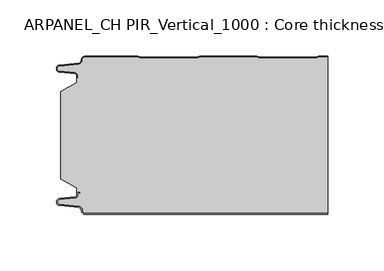
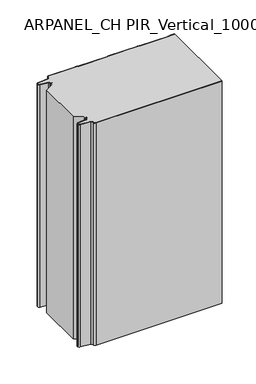
"""IFC4 building model written with IfcOpenShell, lengths in millimetres: plate geometry, ARPANEL_CH PIR_Vertical_1000 : Core thickness - 140 mm."""

from ifc_helpers import new_model, si_unit, frame, origin, place, context, project, spatial, polyline, circle_curve, source, transform, mapped, element, save
from ifc_brep_helpers import plane_surface, cylinder_surface, revolved_surface, advanced_brep


def arpanel_ch_pir_vertical_1000_core_thickness_140_mm_2cfc4364(model_context):
    return source(origin(), model_context, "Body", "AdvancedBrep", [
        advanced_brep(
        [(-94.8000003, -139.9996949, 0.0), (-97.9923632, -136.5787437, 0.0), (-100.2560431, -133.9171154, 0.0), (-117.2115315, -132.2546153, 0.0), (-119.9999998, -129.1776715, 0.0), (-117.2115315, -126.1007278, 0.0), (-103.6195785, -124.7680252, 0.0), (-101.9952277, -122.9766159, 0.0), (-101.9952277, -121.8996949, 0.0), (-100.5952277, -120.4996949, 0.0), (-99.4952277, -120.4996949, 0.0), (-99.4952277, -121.2996949, 0.0), (-100.5952277, -121.2996949, 0.0), (-101.1952277, -121.8996949, 0.0), (-101.1952277, -122.9766159, 0.0), (-103.5415122, -125.5642071, 0.0), (-117.1334652, -126.8969097, 0.0), (-119.1999997, -129.1776715, 0.0), (-117.1334652, -131.4584333, 0.0), (-100.1779767, -133.1209335, 0.0), (-97.2078761, -136.6330399, 0.0), (-94.8000003, -139.1996949, 0.0), (119.9999998, -139.2, 0.0), (119.9999998, -139.9996949, 0.0), (-94.8000003, -139.1996949, 400.0), (-97.1942724, -136.6339815, 400.0), (-100.1779767, -133.1209335, 400.0), (-117.1334652, -131.4584333, 400.0), (-119.1999997, -129.1776715, 400.0), (-117.1334652, -126.8969097, 400.0), (-103.5415122, -125.5642071, 400.0), (-101.1952277, -122.9766159, 400.0), (-101.1952277, -121.8996949, 400.0), (-100.5952277, -121.2996949, 400.0), (-99.4952277, -121.2996949, 400.0), (-99.4952277, -120.4996949, 400.0), (-100.5952277, -120.4996949, 400.0), (-101.9952277, -121.8996949, 400.0), (-101.9952277, -122.9766159, 400.0), (-103.6195785, -124.7680252, 400.0), (-117.2115315, -126.1007278, 400.0), (-119.9999998, -129.1776715, 400.0), (-117.2115315, -132.2546153, 400.0), (-100.2560431, -133.9171154, 400.0), (-98.0059668, -136.5778021, 400.0), (-94.8000003, -139.9996949, 400.0), (119.9999998, -139.9996949, 400.0), (119.9999998, -139.2, 400.0)],
        [
            (0, 1, circle_curve(frame((-94.8000003, -136.7996949, 0.0), z_axis=(0.0, 0.0, -1.0), x_axis=(1.0, 0.0, 0.0)), 3.2)),
            (1, 2, circle_curve(frame((-100.5000003, -136.4051839, 0.0), z_axis=(0.0, 0.0, 1.0), x_axis=(1.0, 0.0, 0.0)), 2.5)),
            (2, 3),
            (3, 4, circle_curve(frame((-116.9100003, -129.1793626, 0.0), z_axis=(0.0, 0.0, -1.0), x_axis=(1.0, 0.0, 0.0)), 3.09)),
            (4, 5, circle_curve(frame((-116.9100003, -129.1759805, 0.0), z_axis=(0.0, 0.0, -1.0), x_axis=(1.0, 0.0, 0.0)), 3.09)),
            (5, 6),
            (6, 7, circle_curve(frame((-103.7952277, -122.9766159, 0.0), z_axis=(0.0, 0.0, 1.0), x_axis=(1.0, 0.0, 0.0)), 1.8)),
            (7, 8),
            (8, 9, circle_curve(frame((-100.5952277, -121.8996949, 0.0), z_axis=(0.0, 0.0, -1.0), x_axis=(1.0, 0.0, 0.0)), 1.4)),
            (9, 10),
            (10, 11),
            (11, 12),
            (12, 13, circle_curve(frame((-100.5952277, -121.8996949, 0.0), z_axis=(0.0, 0.0, 1.0), x_axis=(1.0, 0.0, 0.0)), 0.6)),
            (13, 14),
            (14, 15, circle_curve(frame((-103.7952277, -122.9766159, 0.0), z_axis=(0.0, 0.0, -1.0), x_axis=(1.0, 0.0, 0.0)), 2.6)),
            (15, 16),
            (16, 17, circle_curve(frame((-116.9100003, -129.1759805, 0.0), z_axis=(0.0, 0.0, 1.0), x_axis=(1.0, 0.0, 0.0)), 2.29)),
            (17, 18, circle_curve(frame((-116.9100003, -129.1793626, 0.0), z_axis=(0.0, 0.0, 1.0), x_axis=(1.0, 0.0, 0.0)), 2.29)),
            (18, 19),
            (19, 20, circle_curve(frame((-100.5000003, -136.4051839, 0.0), z_axis=(0.0, 0.0, -1.0), x_axis=(1.0, 0.0, 0.0)), 3.3)),
            (20, 21, circle_curve(frame((-94.8000003, -136.7996949, 0.0), z_axis=(0.0, 0.0, 1.0), x_axis=(1.0, 0.0, 0.0)), 2.4)),
            (21, 22),
            (22, 23),
            (23, 0),
            (24, 25, circle_curve(frame((-94.8000003, -136.7996949, 400.0), z_axis=(0.0, 0.0, -1.0), x_axis=(1.0, 0.0, 0.0)), 2.4)),
            (25, 26, circle_curve(frame((-100.5000003, -136.4051839, 400.0), z_axis=(0.0, 0.0, 1.0), x_axis=(1.0, 0.0, 0.0)), 3.3)),
            (26, 27),
            (27, 28, circle_curve(frame((-116.9100003, -129.1793626, 400.0), z_axis=(0.0, 0.0, -1.0), x_axis=(1.0, 0.0, 0.0)), 2.29)),
            (28, 29, circle_curve(frame((-116.9100003, -129.1759805, 400.0), z_axis=(0.0, 0.0, -1.0), x_axis=(1.0, 0.0, 0.0)), 2.29)),
            (29, 30),
            (30, 31, circle_curve(frame((-103.7952277, -122.9766159, 400.0), z_axis=(0.0, 0.0, 1.0), x_axis=(1.0, 0.0, 0.0)), 2.6)),
            (31, 32),
            (32, 33, circle_curve(frame((-100.5952277, -121.8996949, 400.0), z_axis=(0.0, 0.0, -1.0), x_axis=(1.0, 0.0, 0.0)), 0.6)),
            (33, 34),
            (34, 35),
            (35, 36),
            (36, 37, circle_curve(frame((-100.5952277, -121.8996949, 400.0), z_axis=(0.0, 0.0, 1.0), x_axis=(1.0, 0.0, 0.0)), 1.4)),
            (37, 38),
            (38, 39, circle_curve(frame((-103.7952277, -122.9766159, 400.0), z_axis=(0.0, 0.0, -1.0), x_axis=(1.0, 0.0, 0.0)), 1.8)),
            (39, 40),
            (40, 41, circle_curve(frame((-116.9100003, -129.1759805, 400.0), z_axis=(0.0, 0.0, 1.0), x_axis=(1.0, 0.0, 0.0)), 3.09)),
            (41, 42, circle_curve(frame((-116.9100003, -129.1793626, 400.0), z_axis=(0.0, 0.0, 1.0), x_axis=(1.0, 0.0, 0.0)), 3.09)),
            (42, 43),
            (43, 44, circle_curve(frame((-100.5000003, -136.4051839, 400.0), z_axis=(0.0, 0.0, -1.0), x_axis=(1.0, 0.0, 0.0)), 2.5)),
            (44, 45, circle_curve(frame((-94.8000003, -136.7996949, 400.0), z_axis=(0.0, 0.0, 1.0), x_axis=(1.0, 0.0, 0.0)), 3.2)),
            (45, 46),
            (46, 47),
            (47, 24),
            (21, 24),
            (47, 22),
            (20, 25),
            (19, 26),
            (18, 27),
            (17, 28),
            (16, 29),
            (15, 30),
            (14, 31),
            (13, 32),
            (12, 33),
            (11, 34),
            (10, 35),
            (9, 36),
            (8, 37),
            (7, 38),
            (6, 39),
            (5, 40),
            (4, 41),
            (3, 42),
            (2, 43),
            (1, 44),
            (0, 45),
            (23, 46),
        ],
        [
            plane_surface(frame((-119.9999998, -140.0, 0.0), z_axis=(0.0, 0.0, -1.0), x_axis=(0.0, 1.0, 0.0))),
            plane_surface(frame((-119.9999998, -140.0, 400.0), z_axis=(0.0, 0.0, 1.0), x_axis=(0.0, 1.0, 0.0))),
            plane_surface(frame((-94.8000003, -139.2, 0.0), z_axis=(0.0, 1.0, 0.0), x_axis=(0.0, 0.0, 1.0))),
            revolved_surface(polyline([(-92.40000029999999, -136.7996949, 400.0), (-92.40000029999999, -136.7996949, 0.0)]), (-94.8000003, -136.7996949, 0.0), (0.0, 0.0, 1.0)),
            cylinder_surface(frame((-100.5000003, -136.4051839, 0.0), z_axis=(0.0, 0.0, -1.0), x_axis=(1.0, 0.0, 0.0)), 3.3),
            plane_surface(frame((-117.1334652, -131.4584333, 0.0), z_axis=(0.09758289975914758, 0.9952273999818314, 0.0), x_axis=(0.0, 0.0, 1.0))),
            revolved_surface(polyline([(-114.62000029999999, -129.1793626, 400.0), (-114.62000029999999, -129.1793626, 0.0)]), (-116.9100003, -129.1793626, 0.0), (0.0, 0.0, 1.0)),
            revolved_surface(polyline([(-114.62000029999999, -129.1759805, 400.0), (-114.62000029999999, -129.1759805, 0.0)]), (-116.9100003, -129.1759805, 0.0), (0.0, 0.0, 1.0)),
            plane_surface(frame((-103.5415122, -125.5642071, 0.0), z_axis=(0.09758289975914383, -0.9952273999818317, 0.0), x_axis=(0.0, 0.0, 1.0))),
            cylinder_surface(frame((-103.7952277, -122.9766159, 0.0), z_axis=(0.0, 0.0, -1.0), x_axis=(1.0, 0.0, 0.0)), 2.6),
            plane_surface(frame((-101.1952277, -121.8996949, 0.0), z_axis=(1.0, 0.0, 0.0), x_axis=(0.0, 0.0, 1.0))),
            revolved_surface(polyline([(-99.9952277, -121.8996949, 400.0), (-99.9952277, -121.8996949, 0.0)]), (-100.5952277, -121.8996949, 0.0), (0.0, 0.0, 1.0)),
            plane_surface(frame((-99.4952277, -121.2996949, 0.0), z_axis=(0.0, -1.0, 0.0), x_axis=(0.0, 0.0, 1.0))),
            plane_surface(frame((-99.4952277, -120.4996949, 0.0), z_axis=(1.0, 0.0, 0.0), x_axis=(0.0, 0.0, 1.0))),
            plane_surface(frame((-100.5952277, -120.4996949, 0.0), z_axis=(0.0, 1.0, 0.0), x_axis=(0.0, 0.0, 1.0))),
            cylinder_surface(frame((-100.5952277, -121.8996949, 0.0), z_axis=(0.0, 0.0, -1.0), x_axis=(1.0, 0.0, 0.0)), 1.4),
            plane_surface(frame((-101.9952277, -122.9766159, 0.0), z_axis=(-1.0, 0.0, 0.0), x_axis=(0.0, 0.0, 1.0))),
            revolved_surface(polyline([(-101.9952277, -122.9766159, 400.0), (-101.9952277, -122.9766159, 0.0)]), (-103.7952277, -122.9766159, 0.0), (0.0, 0.0, 1.0)),
            plane_surface(frame((-117.2115315, -126.1007278, 0.0), z_axis=(-0.09758289975914387, 0.9952273999818317, 0.0), x_axis=(0.0, 0.0, 1.0))),
            cylinder_surface(frame((-116.9100003, -129.1759805, 0.0), z_axis=(0.0, 0.0, -1.0), x_axis=(1.0, 0.0, 0.0)), 3.09),
            cylinder_surface(frame((-116.9100003, -129.1793626, 0.0), z_axis=(0.0, 0.0, -1.0), x_axis=(1.0, 0.0, 0.0)), 3.09),
            plane_surface(frame((-100.2560431, -133.9171154, 0.0), z_axis=(-0.09758289975914762, -0.9952273999818314, 0.0), x_axis=(0.0, 0.0, 1.0))),
            revolved_surface(polyline([(-98.0000003, -136.4051839, 400.0), (-98.0000003, -136.4051839, 0.0)]), (-100.5000003, -136.4051839, 0.0), (0.0, 0.0, 1.0)),
            cylinder_surface(frame((-94.8000003, -136.7996949, 0.0), z_axis=(0.0, 0.0, -1.0), x_axis=(1.0, 0.0, 0.0)), 3.2),
            plane_surface(frame((896.009932, -139.9996949, 0.0), z_axis=(0.0, -1.0, 0.0), x_axis=(0.0, 0.0, 1.0))),
            plane_surface(frame((119.9999998, 180.0, 400.0), z_axis=(1.0, 0.0, 0.0), x_axis=(0.0, 0.0, -1.0))),
        ],
        [
            (0, [[1, 2, 3, 4, 5, 6, 7, 8, 9, 10, 11, 12, 13, 14, 15, 16, 17, 18, 19, 20, 21, 22, 23, 24]]),
            (1, [[25, 26, 27, 28, 29, 30, 31, 32, 33, 34, 35, 36, 37, 38, 39, 40, 41, 42, 43, 44, 45, 46, 47, 48]]),
            (2, [[49, -48, 50, -22]]),
            (3, [[-21, 51, -25, -49]]),
            (4, [[-20, 52, -26, -51]]),
            (5, [[-19, 53, -27, -52]]),
            (6, [[-18, 54, -28, -53]]),
            (7, [[-17, 55, -29, -54]]),
            (8, [[-16, 56, -30, -55]]),
            (9, [[-15, 57, -31, -56]]),
            (10, [[-14, 58, -32, -57]]),
            (11, [[-13, 59, -33, -58]]),
            (12, [[-12, 60, -34, -59]]),
            (13, [[-11, 61, -35, -60]]),
            (14, [[-10, 62, -36, -61]]),
            (15, [[-9, 63, -37, -62]]),
            (16, [[-8, 64, -38, -63]]),
            (17, [[-7, 65, -39, -64]]),
            (18, [[-6, 66, -40, -65]]),
            (19, [[-5, 67, -41, -66]]),
            (20, [[-4, 68, -42, -67]]),
            (21, [[-3, 69, -43, -68]]),
            (22, [[-2, 70, -44, -69]]),
            (23, [[-1, 71, -45, -70]]),
            (24, [[-71, -24, 72, -46]]),
            (25, [[-23, -50, -47, -72]]),
        ],
    ),
        advanced_brep(
        [(-101.9952277, -23.1062917, 400.0), (-116.0446509, -31.1628062, 400.0), (-116.0446509, -108.7531937, 400.0), (-101.9952277, -116.8937083, 400.0), (-101.9952277, -120.4996949, 400.0), (-101.9952277, -121.8996949, 400.0), (-100.5952277, -120.4996949, 400.0), (-99.4952277, -120.4996949, 400.0), (-99.4952277, -121.2996949, 400.0), (-100.5952277, -121.2996949, 400.0), (-101.1952277, -121.8996949, 400.0), (-101.1952277, -122.9766159, 400.0), (-103.5415122, -125.5642071, 400.0), (-117.1334652, -126.8969097, 400.0), (-119.1999997, -129.1776715, 400.0), (-117.1334652, -131.4584333, 400.0), (-100.1779767, -133.1209335, 400.0), (-97.2078761, -136.6330399, 400.0), (-94.8000003, -139.1996949, 400.0), (119.9999998, -139.2, 400.0), (119.9999998, -0.8, 400.0), (112.3119565, -0.8, 400.0), (111.2605406, -1.0986697, 400.0), (109.8401597, -1.5003051, 400.0), (59.6803765, -1.5003051, 400.0), (58.2609651, -1.0971009, 400.0), (57.2085797, -0.8, 400.0), (7.0487965, -0.8, 400.0), (5.9973806, -1.0986697, 400.0), (4.5769997, -1.5003051, 400.0), (-45.5827835, -1.5003051, 400.0), (-47.0021949, -1.0971009, 400.0), (-48.0545803, -0.8, 400.0), (-94.8000003, -0.8, 400.0), (-97.1942724, -3.3660185, 400.0), (-100.1779767, -6.8790665, 400.0), (-117.1334652, -8.5415667, 400.0), (-119.1999997, -10.8223285, 400.0), (-117.1334652, -13.1030903, 400.0), (-103.5415122, -14.4357929, 400.0), (-101.1952277, -17.0233841, 400.0), (-101.1952277, -18.1003051, 400.0), (-100.5952277, -18.7003051, 400.0), (-99.4952277, -18.7003051, 400.0), (-99.4952277, -19.5003051, 400.0), (-100.5952277, -19.5003051, 400.0), (-101.9952277, -18.1003051, 400.0), (-101.9952277, -19.5003051, 400.0), (-101.9952277, -116.8937083, 0.0), (-116.0446509, -108.7531937, 0.0), (-116.0446509, -31.1628062, 0.0), (-101.9952277, -23.1062917, 0.0), (-101.9952277, -19.5003051, 0.0), (-101.9952277, -18.1003051, 0.0), (-100.5952277, -19.5003051, 0.0), (-99.4952277, -19.5003051, 0.0), (-99.4952277, -18.7003051, 0.0), (-100.5952277, -18.7003051, 0.0), (-101.1952277, -18.1003051, 0.0), (-101.1952277, -17.0233841, 0.0), (-103.5415122, -14.4357929, 0.0), (-117.1334652, -13.1030903, 0.0), (-119.1999997, -10.8223285, 0.0), (-117.1334652, -8.5415667, 0.0), (-100.1779767, -6.8790665, 0.0), (-97.2078761, -3.3669601, 0.0), (-94.8000003, -0.8003051, 0.0), (-48.0545803, -0.8, 0.0), (-47.0031645, -1.0986697, 0.0), (-45.5827835, -1.5003051, 0.0), (4.5769997, -1.5003051, 0.0), (5.9964111, -1.0971009, 0.0), (7.0487965, -0.8, 0.0), (57.2085797, -0.8, 0.0), (58.2599955, -1.0986697, 0.0), (59.6803765, -1.5003051, 0.0), (109.8401597, -1.5003051, 0.0), (111.2595711, -1.0971009, 0.0), (112.3119565, -0.8, 0.0), (119.9999998, -0.8, 0.0), (119.9999998, -139.2, 0.0), (-94.8000003, -139.2, 0.0), (-97.1942724, -136.6339815, 0.0), (-100.1779767, -133.1209335, 0.0), (-117.1334652, -131.4584333, 0.0), (-119.1999997, -129.1776715, 0.0), (-117.1334652, -126.8969097, 0.0), (-103.5415122, -125.5642071, 0.0), (-101.1952277, -122.9766159, 0.0), (-101.1952277, -121.8996949, 0.0), (-100.5952277, -121.2996949, 0.0), (-99.4952277, -121.2996949, 0.0), (-99.4952277, -120.4996949, 0.0), (-100.5952277, -120.4996949, 0.0), (-101.9952277, -121.8996949, 0.0), (-101.9952277, -120.4996949, 0.0)],
        [
            (0, 1),
            (1, 2),
            (2, 3),
            (3, 4),
            (4, 5),
            (5, 6, circle_curve(frame((-100.5952277, -121.8996949, 400.0), z_axis=(0.0, 0.0, -1.0), x_axis=(1.0, 0.0, 0.0)), 1.4)),
            (6, 7),
            (7, 8),
            (8, 9),
            (9, 10, circle_curve(frame((-100.5952277, -121.8996949, 400.0), z_axis=(0.0, 0.0, 1.0), x_axis=(1.0, 0.0, 0.0)), 0.6)),
            (10, 11),
            (11, 12, circle_curve(frame((-103.7952277, -122.9766159, 400.0), z_axis=(0.0, 0.0, -1.0), x_axis=(1.0, 0.0, 0.0)), 2.6)),
            (12, 13),
            (13, 14, circle_curve(frame((-116.9100003, -129.1759805, 400.0), z_axis=(0.0, 0.0, 1.0), x_axis=(1.0, 0.0, 0.0)), 2.29)),
            (14, 15, circle_curve(frame((-116.9100003, -129.1793626, 400.0), z_axis=(0.0, 0.0, 1.0), x_axis=(1.0, 0.0, 0.0)), 2.29)),
            (15, 16),
            (16, 17, circle_curve(frame((-100.5000003, -136.4051839, 400.0), z_axis=(0.0, 0.0, -1.0), x_axis=(1.0, 0.0, 0.0)), 3.3)),
            (17, 18, circle_curve(frame((-94.8000003, -136.7996949, 400.0), z_axis=(0.0, 0.0, 1.0), x_axis=(1.0, 0.0, 0.0)), 2.4)),
            (18, 19),
            (19, 20),
            (20, 21),
            (21, 22, circle_curve(frame((112.3119565, -2.8, 400.0), z_axis=(0.0, 0.0, 1.0), x_axis=(1.0, 0.0, 0.0)), 2.0)),
            (22, 23, circle_curve(frame((109.8401597, 1.1996949, 400.0), z_axis=(0.0, 0.0, -1.0), x_axis=(1.0, 0.0, 0.0)), 2.7)),
            (23, 24),
            (24, 25, circle_curve(frame((59.6803765, 1.1996949, 400.0), z_axis=(0.0, 0.0, -1.0), x_axis=(1.0, 0.0, 0.0)), 2.7)),
            (25, 26, circle_curve(frame((57.2085797, -2.8, 400.0), z_axis=(0.0, 0.0, 1.0), x_axis=(1.0, 0.0, 0.0)), 2.0)),
            (26, 27),
            (27, 28, circle_curve(frame((7.0487965, -2.8, 400.0), z_axis=(0.0, 0.0, 1.0), x_axis=(1.0, 0.0, 0.0)), 2.0)),
            (28, 29, circle_curve(frame((4.5769997, 1.1996949, 400.0), z_axis=(0.0, 0.0, -1.0), x_axis=(1.0, 0.0, 0.0)), 2.7)),
            (29, 30),
            (30, 31, circle_curve(frame((-45.5827835, 1.1996949, 400.0), z_axis=(0.0, 0.0, -1.0), x_axis=(1.0, 0.0, 0.0)), 2.7)),
            (31, 32, circle_curve(frame((-48.0545803, -2.8, 400.0), z_axis=(0.0, 0.0, 1.0), x_axis=(1.0, 0.0, 0.0)), 2.0)),
            (32, 33),
            (33, 34, circle_curve(frame((-94.8000003, -3.2003051, 400.0), z_axis=(0.0, 0.0, 1.0), x_axis=(1.0, 0.0, 0.0)), 2.4)),
            (34, 35, circle_curve(frame((-100.5000003, -3.5948161, 400.0), z_axis=(0.0, 0.0, -1.0), x_axis=(1.0, 0.0, 0.0)), 3.3)),
            (35, 36),
            (36, 37, circle_curve(frame((-116.9100003, -10.8206374, 400.0), z_axis=(0.0, 0.0, 1.0), x_axis=(1.0, 0.0, 0.0)), 2.29)),
            (37, 38, circle_curve(frame((-116.9100003, -10.8240195, 400.0), z_axis=(0.0, 0.0, 1.0), x_axis=(1.0, 0.0, 0.0)), 2.29)),
            (38, 39),
            (39, 40, circle_curve(frame((-103.7952277, -17.0233841, 400.0), z_axis=(0.0, 0.0, -1.0), x_axis=(1.0, 0.0, 0.0)), 2.6)),
            (40, 41),
            (41, 42, circle_curve(frame((-100.5952277, -18.1003051, 400.0), z_axis=(0.0, 0.0, 1.0), x_axis=(1.0, 0.0, 0.0)), 0.6)),
            (42, 43),
            (43, 44),
            (44, 45),
            (45, 46, circle_curve(frame((-100.5952277, -18.1003051, 400.0), z_axis=(0.0, 0.0, -1.0), x_axis=(1.0, 0.0, 0.0)), 1.4)),
            (46, 47),
            (47, 0),
            (48, 49),
            (49, 50),
            (50, 51),
            (51, 52),
            (52, 53),
            (53, 54, circle_curve(frame((-100.5952277, -18.1003051, 0.0), z_axis=(0.0, 0.0, 1.0), x_axis=(1.0, 0.0, 0.0)), 1.4)),
            (54, 55),
            (55, 56),
            (56, 57),
            (57, 58, circle_curve(frame((-100.5952277, -18.1003051, 0.0), z_axis=(0.0, 0.0, -1.0), x_axis=(1.0, 0.0, 0.0)), 0.6)),
            (58, 59),
            (59, 60, circle_curve(frame((-103.7952277, -17.0233841, 0.0), z_axis=(0.0, 0.0, 1.0), x_axis=(1.0, 0.0, 0.0)), 2.6)),
            (60, 61),
            (61, 62, circle_curve(frame((-116.9100003, -10.8240195, 0.0), z_axis=(0.0, 0.0, -1.0), x_axis=(1.0, 0.0, 0.0)), 2.29)),
            (62, 63, circle_curve(frame((-116.9100003, -10.8206374, 0.0), z_axis=(0.0, 0.0, -1.0), x_axis=(1.0, 0.0, 0.0)), 2.29)),
            (63, 64),
            (64, 65, circle_curve(frame((-100.5000003, -3.5948161, 0.0), z_axis=(0.0, 0.0, 1.0), x_axis=(1.0, 0.0, 0.0)), 3.3)),
            (65, 66, circle_curve(frame((-94.8000003, -3.2003051, 0.0), z_axis=(0.0, 0.0, -1.0), x_axis=(1.0, 0.0, 0.0)), 2.4)),
            (66, 67),
            (67, 68, circle_curve(frame((-48.0545803, -2.8, 0.0), z_axis=(0.0, 0.0, -1.0), x_axis=(1.0, 0.0, 0.0)), 2.0)),
            (68, 69, circle_curve(frame((-45.5827835, 1.1996949, 0.0), z_axis=(0.0, 0.0, 1.0), x_axis=(1.0, 0.0, 0.0)), 2.7)),
            (69, 70),
            (70, 71, circle_curve(frame((4.5769997, 1.1996949, 0.0), z_axis=(0.0, 0.0, 1.0), x_axis=(1.0, 0.0, 0.0)), 2.7)),
            (71, 72, circle_curve(frame((7.0487965, -2.8, 0.0), z_axis=(0.0, 0.0, -1.0), x_axis=(1.0, 0.0, 0.0)), 2.0)),
            (72, 73),
            (73, 74, circle_curve(frame((57.2085797, -2.8, 0.0), z_axis=(0.0, 0.0, -1.0), x_axis=(1.0, 0.0, 0.0)), 2.0)),
            (74, 75, circle_curve(frame((59.6803765, 1.1996949, 0.0), z_axis=(0.0, 0.0, 1.0), x_axis=(1.0, 0.0, 0.0)), 2.7)),
            (75, 76),
            (76, 77, circle_curve(frame((109.8401597, 1.1996949, 0.0), z_axis=(0.0, 0.0, 1.0), x_axis=(1.0, 0.0, 0.0)), 2.7)),
            (77, 78, circle_curve(frame((112.3119565, -2.8, 0.0), z_axis=(0.0, 0.0, -1.0), x_axis=(1.0, 0.0, 0.0)), 2.0)),
            (78, 79),
            (79, 80),
            (80, 81),
            (81, 82, circle_curve(frame((-94.8000003, -136.7996949, 0.0), z_axis=(0.0, 0.0, -1.0), x_axis=(1.0, 0.0, 0.0)), 2.4)),
            (82, 83, circle_curve(frame((-100.5000003, -136.4051839, 0.0), z_axis=(0.0, 0.0, 1.0), x_axis=(1.0, 0.0, 0.0)), 3.3)),
            (83, 84),
            (84, 85, circle_curve(frame((-116.9100003, -129.1793626, 0.0), z_axis=(0.0, 0.0, -1.0), x_axis=(1.0, 0.0, 0.0)), 2.29)),
            (85, 86, circle_curve(frame((-116.9100003, -129.1759805, 0.0), z_axis=(0.0, 0.0, -1.0), x_axis=(1.0, 0.0, 0.0)), 2.29)),
            (86, 87),
            (87, 88, circle_curve(frame((-103.7952277, -122.9766159, 0.0), z_axis=(0.0, 0.0, 1.0), x_axis=(1.0, 0.0, 0.0)), 2.6)),
            (88, 89),
            (89, 90, circle_curve(frame((-100.5952277, -121.8996949, 0.0), z_axis=(0.0, 0.0, -1.0), x_axis=(1.0, 0.0, 0.0)), 0.6)),
            (90, 91),
            (91, 92),
            (92, 93),
            (93, 94, circle_curve(frame((-100.5952277, -121.8996949, 0.0), z_axis=(0.0, 0.0, 1.0), x_axis=(1.0, 0.0, 0.0)), 1.4)),
            (94, 95),
            (95, 48),
            (51, 0),
            (46, 53),
            (1, 50),
            (49, 2),
            (48, 3),
            (94, 5),
            (18, 81),
            (80, 19),
            (17, 82),
            (16, 83),
            (15, 84),
            (14, 85),
            (13, 86),
            (12, 87),
            (11, 88),
            (10, 89),
            (9, 90),
            (8, 91),
            (7, 92),
            (6, 93),
            (66, 33),
            (32, 67),
            (31, 68),
            (30, 69),
            (29, 70),
            (28, 71),
            (27, 72),
            (26, 73),
            (25, 74),
            (24, 75),
            (23, 76),
            (22, 77),
            (21, 78),
            (20, 79),
            (45, 54),
            (44, 55),
            (43, 56),
            (42, 57),
            (41, 58),
            (40, 59),
            (39, 60),
            (38, 61),
            (37, 62),
            (36, 63),
            (35, 64),
            (34, 65),
        ],
        [
            plane_surface(frame((-119.9999998, 0.0, 400.0), z_axis=(0.0, 0.0, 1.0), x_axis=(0.0, -1.0, 0.0))),
            plane_surface(frame((-119.9999998, 0.0, 0.0), z_axis=(0.0, 0.0, -1.0), x_axis=(0.0, -1.0, 0.0))),
            plane_surface(frame((-101.9952277, -17.0229218, 400.0), z_axis=(-1.0, 0.0, 0.0), x_axis=(0.0, 0.0, -1.0))),
            plane_surface(frame((-116.0446509, -31.1628062, 400.0), z_axis=(-1.0, 0.0, 0.0), x_axis=(0.0, 0.0, -1.0))),
            plane_surface(frame((-101.9952277, -23.1062917, 400.0), z_axis=(-0.4974543664933155, 0.8674901459133322, 0.0), x_axis=(0.0, 0.0, -1.0))),
            plane_surface(frame((-116.0446509, -108.7531937, 400.0), z_axis=(-0.5013424225369615, -0.8652489672717159, 0.0), x_axis=(0.0, 0.0, -1.0))),
            plane_surface(frame((-101.9952277, -116.8937083, 400.0), z_axis=(-1.0, 0.0, 0.0), x_axis=(0.0, 0.0, -1.0))),
            plane_surface(frame((896.009932, -139.2, 530.0), z_axis=(0.0, -1.0, 0.0), x_axis=(0.0, 0.0, -1.0))),
            cylinder_surface(frame((-94.8000003, -136.7996949, 530.0), z_axis=(0.0, 0.0, -1.0), x_axis=(1.0, 0.0, 0.0)), 2.4),
            revolved_surface(polyline([(-97.2000003, -136.4051839, 400.0), (-97.2000003, -136.4051839, 0.0)]), (-100.5000003, -136.4051839, 530.0), (0.0, 0.0, 1.0)),
            plane_surface(frame((-100.1779767, -133.1209335, 530.0), z_axis=(-0.09758289975914758, -0.9952273999818314, 0.0), x_axis=(0.0, 0.0, -1.0))),
            cylinder_surface(frame((-116.9100003, -129.1793626, 530.0), z_axis=(0.0, 0.0, -1.0), x_axis=(1.0, 0.0, 0.0)), 2.29),
            cylinder_surface(frame((-116.9100003, -129.1759805, 530.0), z_axis=(0.0, 0.0, -1.0), x_axis=(1.0, 0.0, 0.0)), 2.29),
            plane_surface(frame((-117.1334652, -126.8969097, 530.0), z_axis=(-0.09758289975914383, 0.9952273999818317, 0.0), x_axis=(0.0, 0.0, -1.0))),
            revolved_surface(polyline([(-101.1952277, -122.9766159, 400.0), (-101.1952277, -122.9766159, 0.0)]), (-103.7952277, -122.9766159, 530.0), (0.0, 0.0, 1.0)),
            plane_surface(frame((-101.1952277, -122.9766159, 530.0), z_axis=(-1.0, 0.0, 0.0), x_axis=(0.0, 0.0, -1.0))),
            cylinder_surface(frame((-100.5952277, -121.8996949, 530.0), z_axis=(0.0, 0.0, -1.0), x_axis=(1.0, 0.0, 0.0)), 0.6),
            plane_surface(frame((-100.5952277, -121.2996949, 530.0), z_axis=(0.0, 1.0, 0.0), x_axis=(0.0, 0.0, -1.0))),
            plane_surface(frame((-99.4952277, -121.2996949, 530.0), z_axis=(-1.0, 0.0, 0.0), x_axis=(0.0, 0.0, -1.0))),
            plane_surface(frame((-99.4952277, -120.4996949, 530.0), z_axis=(0.0, -1.0, 0.0), x_axis=(0.0, 0.0, -1.0))),
            revolved_surface(polyline([(-99.19522769999999, -121.8996949, 400.0), (-99.19522769999999, -121.8996949, 0.0)]), (-100.5952277, -121.8996949, 530.0), (0.0, 0.0, 1.0)),
            plane_surface(frame((-94.8000003, -0.8, 530.0), z_axis=(0.0, 1.0, 0.0), x_axis=(0.0, 0.0, -1.0))),
            cylinder_surface(frame((-48.0545803, -2.8, 530.0), z_axis=(0.0, 0.0, -1.0), x_axis=(1.0, 0.0, 0.0)), 2.0),
            revolved_surface(polyline([(-42.882783499999995, 1.1996949, 400.0), (-42.882783499999995, 1.1996949, 0.0)]), (-45.5827835, 1.1996949, 530.0), (0.0, 0.0, 1.0)),
            plane_surface(frame((-45.5827835, -1.5003051, 530.0), z_axis=(0.0, 1.0, 0.0), x_axis=(0.0, 0.0, -1.0))),
            revolved_surface(polyline([(7.2769997, 1.1996949, 400.0), (7.2769997, 1.1996949, 0.0)]), (4.5769997, 1.1996949, 530.0), (0.0, 0.0, 1.0)),
            cylinder_surface(frame((7.0487965, -2.8, 530.0), z_axis=(0.0, 0.0, -1.0), x_axis=(1.0, 0.0, 0.0)), 2.0),
            plane_surface(frame((7.0487965, -0.8, 530.0), z_axis=(0.0, 1.0, 0.0), x_axis=(0.0, 0.0, -1.0))),
            cylinder_surface(frame((57.2085797, -2.8, 530.0), z_axis=(0.0, 0.0, -1.0), x_axis=(1.0, 0.0, 0.0)), 2.0),
            revolved_surface(polyline([(62.380376500000004, 1.1996949, 400.0), (62.380376500000004, 1.1996949, 0.0)]), (59.6803765, 1.1996949, 530.0), (0.0, 0.0, 1.0)),
            plane_surface(frame((59.6803765, -1.5003051, 530.0), z_axis=(0.0, 1.0, 0.0), x_axis=(0.0, 0.0, -1.0))),
            revolved_surface(polyline([(112.5401597, 1.1996949, 400.0), (112.5401597, 1.1996949, 0.0)]), (109.8401597, 1.1996949, 530.0), (0.0, 0.0, 1.0)),
            cylinder_surface(frame((112.3119565, -2.8, 530.0), z_axis=(0.0, 0.0, -1.0), x_axis=(1.0, 0.0, 0.0)), 2.0),
            plane_surface(frame((112.3119565, -0.8, 530.0), z_axis=(0.0, 1.0, 0.0), x_axis=(0.0, 0.0, -1.0))),
            revolved_surface(polyline([(-99.19522769999999, -18.1003051, 400.0), (-99.19522769999999, -18.1003051, 0.0)]), (-100.5952277, -18.1003051, 530.0), (0.0, 0.0, 1.0)),
            plane_surface(frame((-100.5952277, -19.5003051, 530.0), z_axis=(0.0, 1.0, 0.0), x_axis=(0.0, 0.0, -1.0))),
            plane_surface(frame((-99.4952277, -19.5003051, 530.0), z_axis=(-1.0, 0.0, 0.0), x_axis=(0.0, 0.0, -1.0))),
            plane_surface(frame((-99.4952277, -18.7003051, 530.0), z_axis=(0.0, -1.0, 0.0), x_axis=(0.0, 0.0, -1.0))),
            cylinder_surface(frame((-100.5952277, -18.1003051, 530.0), z_axis=(0.0, 0.0, -1.0), x_axis=(1.0, 0.0, 0.0)), 0.6),
            plane_surface(frame((-101.1952277, -18.1003051, 530.0), z_axis=(-1.0, 0.0, 0.0), x_axis=(0.0, 0.0, -1.0))),
            revolved_surface(polyline([(-101.1952277, -17.0233841, 400.0), (-101.1952277, -17.0233841, 0.0)]), (-103.7952277, -17.0233841, 530.0), (0.0, 0.0, 1.0)),
            plane_surface(frame((-103.5415122, -14.4357929, 530.0), z_axis=(-0.09758289975914705, -0.9952273999818314, 0.0), x_axis=(0.0, 0.0, -1.0))),
            cylinder_surface(frame((-116.9100003, -10.8240195, 530.0), z_axis=(0.0, 0.0, -1.0), x_axis=(1.0, 0.0, 0.0)), 2.29),
            cylinder_surface(frame((-116.9100003, -10.8206374, 530.0), z_axis=(0.0, 0.0, -1.0), x_axis=(1.0, 0.0, 0.0)), 2.29),
            plane_surface(frame((-117.1334652, -8.5415667, 530.0), z_axis=(-0.09758289975914436, 0.9952273999818317, 0.0), x_axis=(0.0, 0.0, -1.0))),
            revolved_surface(polyline([(-97.2000003, -3.5948161, 400.0), (-97.2000003, -3.5948161, 0.0)]), (-100.5000003, -3.5948161, 530.0), (0.0, 0.0, 1.0)),
            cylinder_surface(frame((-94.8000003, -3.2003051, 530.0), z_axis=(0.0, 0.0, -1.0), x_axis=(1.0, 0.0, 0.0)), 2.4),
            plane_surface(frame((119.9999998, 180.0, 400.0), z_axis=(1.0, 0.0, 0.0), x_axis=(0.0, 0.0, -1.0))),
        ],
        [
            (0, [[1, 2, 3, 4, 5, 6, 7, 8, 9, 10, 11, 12, 13, 14, 15, 16, 17, 18, 19, 20, 21, 22, 23, 24, 25, 26, 27, 28, 29, 30, 31, 32, 33, 34, 35, 36, 37, 38, 39, 40, 41, 42, 43, 44, 45, 46, 47, 48]]),
            (1, [[49, 50, 51, 52, 53, 54, 55, 56, 57, 58, 59, 60, 61, 62, 63, 64, 65, 66, 67, 68, 69, 70, 71, 72, 73, 74, 75, 76, 77, 78, 79, 80, 81, 82, 83, 84, 85, 86, 87, 88, 89, 90, 91, 92, 93, 94, 95, 96]]),
            (2, [[97, -48, -47, 98, -53, -52]]),
            (3, [[-2, 99, -50, 100]]),
            (4, [[-1, -97, -51, -99]]),
            (5, [[-3, -100, -49, 101]]),
            (6, [[-101, -96, -95, 102, -5, -4]]),
            (7, [[103, -81, 104, -19]]),
            (8, [[-103, -18, 105, -82]]),
            (9, [[-105, -17, 106, -83]]),
            (10, [[-106, -16, 107, -84]]),
            (11, [[-107, -15, 108, -85]]),
            (12, [[-108, -14, 109, -86]]),
            (13, [[-109, -13, 110, -87]]),
            (14, [[-110, -12, 111, -88]]),
            (15, [[-111, -11, 112, -89]]),
            (16, [[-112, -10, 113, -90]]),
            (17, [[-113, -9, 114, -91]]),
            (18, [[-114, -8, 115, -92]]),
            (19, [[-115, -7, 116, -93]]),
            (20, [[-116, -6, -102, -94]]),
            (21, [[117, -33, 118, -67]]),
            (22, [[-118, -32, 119, -68]]),
            (23, [[-119, -31, 120, -69]]),
            (24, [[-120, -30, 121, -70]]),
            (25, [[-121, -29, 122, -71]]),
            (26, [[-122, -28, 123, -72]]),
            (27, [[-123, -27, 124, -73]]),
            (28, [[-124, -26, 125, -74]]),
            (29, [[-125, -25, 126, -75]]),
            (30, [[-126, -24, 127, -76]]),
            (31, [[-127, -23, 128, -77]]),
            (32, [[-128, -22, 129, -78]]),
            (33, [[-129, -21, 130, -79]]),
            (34, [[131, -54, -98, -46]]),
            (35, [[-131, -45, 132, -55]]),
            (36, [[-132, -44, 133, -56]]),
            (37, [[-133, -43, 134, -57]]),
            (38, [[-134, -42, 135, -58]]),
            (39, [[-135, -41, 136, -59]]),
            (40, [[-136, -40, 137, -60]]),
            (41, [[-137, -39, 138, -61]]),
            (42, [[-138, -38, 139, -62]]),
            (43, [[-139, -37, 140, -63]]),
            (44, [[-140, -36, 141, -64]]),
            (45, [[-141, -35, 142, -65]]),
            (46, [[-117, -66, -142, -34]]),
            (47, [[-104, -80, -130, -20]]),
        ],
    ),
        advanced_brep(
        [(-47.0031645, -1.0986697, 0.0), (-48.0545803, -0.8, 0.0), (-94.8000003, -0.8, 0.0), (-97.1942724, -3.3660185, 0.0), (-100.1779767, -6.8790665, 0.0), (-117.1334652, -8.5415667, 0.0), (-119.1999997, -10.8223285, 0.0), (-117.1334652, -13.1030903, 0.0), (-103.5415122, -14.4357929, 0.0), (-101.1952277, -17.0233841, 0.0), (-101.1952277, -18.1003051, 0.0), (-100.5952277, -18.7003051, 0.0), (-99.4952277, -18.7003051, 0.0), (-99.4952277, -19.5003051, 0.0), (-100.5952277, -19.5003051, 0.0), (-101.9952277, -18.1003051, 0.0), (-101.9952277, -17.0233841, 0.0), (-103.6195785, -15.2319748, 0.0), (-117.2115315, -13.8992722, 0.0), (-119.9999998, -10.8223285, 0.0), (-117.2115315, -7.7453847, 0.0), (-100.2560431, -6.0828846, 0.0), (-98.0059668, -3.4221979, 0.0), (-94.8000003, -0.0003051, 0.0), (-48.0545803, -0.0003051, 0.0), (-46.6352472, -0.4034608, 0.0), (-45.5827835, -0.7003051, 0.0), (4.5769997, -0.7003051, 0.0), (5.6283575, -0.4016712, 0.0), (7.0487965, -0.0003051, 0.0), (57.2085797, -0.0003051, 0.0), (58.6279128, -0.4034608, 0.0), (59.6803765, -0.7003051, 0.0), (109.8401597, -0.7003051, 0.0), (110.8915175, -0.4016712, 0.0), (112.3119565, -0.0003051, 0.0), (119.9999998, -0.0003051, 0.0), (119.9999998, -0.8, 0.0), (112.3119565, -0.8, 0.0), (111.2605406, -1.0986697, 0.0), (109.8401597, -1.5003051, 0.0), (59.6803765, -1.5003051, 0.0), (58.2609651, -1.0971009, 0.0), (57.2085797, -0.8, 0.0), (7.0487965, -0.8, 0.0), (5.9973806, -1.0986697, 0.0), (4.5769997, -1.5003051, 0.0), (-45.5827835, -1.5003051, 0.0), (-47.0021949, -1.0971009, 400.0), (-45.5827835, -1.5003051, 400.0), (4.5769997, -1.5003051, 400.0), (5.9964111, -1.0971009, 400.0), (7.0487965, -0.8, 400.0), (57.2085797, -0.8, 400.0), (58.2599955, -1.0986697, 400.0), (59.6803765, -1.5003051, 400.0), (109.8401597, -1.5003051, 400.0), (111.2595711, -1.0971009, 400.0), (112.3119565, -0.8, 400.0), (119.9999998, -0.8, 400.0), (119.9999998, -0.0003051, 400.0), (112.3119565, -0.0003051, 400.0), (110.8926234, -0.4034608, 400.0), (109.8401597, -0.7003051, 400.0), (59.6803765, -0.7003051, 400.0), (58.6290186, -0.4016712, 400.0), (57.2085797, -0.0003051, 400.0), (7.0487965, -0.0003051, 400.0), (5.6294634, -0.4034608, 400.0), (4.5769997, -0.7003051, 400.0), (-45.5827835, -0.7003051, 400.0), (-46.6341414, -0.4016712, 400.0), (-48.0545803, -0.0003051, 400.0), (-94.8000003, -0.0003051, 400.0), (-97.9923632, -3.4212563, 400.0), (-100.2560431, -6.0828846, 400.0), (-117.2115315, -7.7453847, 400.0), (-119.9999998, -10.8223285, 400.0), (-117.2115315, -13.8992722, 400.0), (-103.6195785, -15.2319748, 400.0), (-101.9952277, -17.0233841, 400.0), (-101.9952277, -18.1003051, 400.0), (-100.5952277, -19.5003051, 400.0), (-99.4952277, -19.5003051, 400.0), (-99.4952277, -18.7003051, 400.0), (-100.5952277, -18.7003051, 400.0), (-101.1952277, -18.1003051, 400.0), (-101.1952277, -17.0233841, 400.0), (-103.5415122, -14.4357929, 400.0), (-117.1334652, -13.1030903, 400.0), (-119.1999997, -10.8223285, 400.0), (-117.1334652, -8.5415667, 400.0), (-100.1779767, -6.8790665, 400.0), (-97.2078761, -3.3669601, 400.0), (-94.8000003, -0.8003051, 400.0), (-48.0545803, -0.8, 400.0)],
        [
            (0, 1, circle_curve(frame((-48.0545803, -2.8, 0.0), z_axis=(0.0, 0.0, 1.0), x_axis=(1.0, 0.0, 0.0)), 2.0)),
            (1, 2),
            (2, 3, circle_curve(frame((-94.8000003, -3.2003051, 0.0), z_axis=(0.0, 0.0, 1.0), x_axis=(1.0, 0.0, 0.0)), 2.4)),
            (3, 4, circle_curve(frame((-100.5000003, -3.5948161, 0.0), z_axis=(0.0, 0.0, -1.0), x_axis=(1.0, 0.0, 0.0)), 3.3)),
            (4, 5),
            (5, 6, circle_curve(frame((-116.9100003, -10.8206374, 0.0), z_axis=(0.0, 0.0, 1.0), x_axis=(1.0, 0.0, 0.0)), 2.29)),
            (6, 7, circle_curve(frame((-116.9100003, -10.8240195, 0.0), z_axis=(0.0, 0.0, 1.0), x_axis=(1.0, 0.0, 0.0)), 2.29)),
            (7, 8),
            (8, 9, circle_curve(frame((-103.7952277, -17.0233841, 0.0), z_axis=(0.0, 0.0, -1.0), x_axis=(1.0, 0.0, 0.0)), 2.6)),
            (9, 10),
            (10, 11, circle_curve(frame((-100.5952277, -18.1003051, 0.0), z_axis=(0.0, 0.0, 1.0), x_axis=(1.0, 0.0, 0.0)), 0.6)),
            (11, 12),
            (12, 13),
            (13, 14),
            (14, 15, circle_curve(frame((-100.5952277, -18.1003051, 0.0), z_axis=(0.0, 0.0, -1.0), x_axis=(1.0, 0.0, 0.0)), 1.4)),
            (15, 16),
            (16, 17, circle_curve(frame((-103.7952277, -17.0233841, 0.0), z_axis=(0.0, 0.0, 1.0), x_axis=(1.0, 0.0, 0.0)), 1.8)),
            (17, 18),
            (18, 19, circle_curve(frame((-116.9100003, -10.8240195, 0.0), z_axis=(0.0, 0.0, -1.0), x_axis=(1.0, 0.0, 0.0)), 3.09)),
            (19, 20, circle_curve(frame((-116.9100003, -10.8206374, 0.0), z_axis=(0.0, 0.0, -1.0), x_axis=(1.0, 0.0, 0.0)), 3.09)),
            (20, 21),
            (21, 22, circle_curve(frame((-100.5000003, -3.5948161, 0.0), z_axis=(0.0, 0.0, 1.0), x_axis=(1.0, 0.0, 0.0)), 2.5)),
            (22, 23, circle_curve(frame((-94.8000003, -3.2003051, 0.0), z_axis=(0.0, 0.0, -1.0), x_axis=(1.0, 0.0, 0.0)), 3.2)),
            (23, 24),
            (24, 25, circle_curve(frame((-48.0545803, -2.7003051, 0.0), z_axis=(0.0, 0.0, -1.0), x_axis=(1.0, 0.0, 0.0)), 2.7)),
            (25, 26, circle_curve(frame((-45.5827835, 1.2996949, 0.0), z_axis=(0.0, 0.0, 1.0), x_axis=(1.0, 0.0, 0.0)), 2.0)),
            (26, 27),
            (27, 28, circle_curve(frame((4.5769997, 1.2996949, 0.0), z_axis=(0.0, 0.0, 1.0), x_axis=(1.0, 0.0, 0.0)), 2.0)),
            (28, 29, circle_curve(frame((7.0487965, -2.7003051, 0.0), z_axis=(0.0, 0.0, -1.0), x_axis=(1.0, 0.0, 0.0)), 2.7)),
            (29, 30),
            (30, 31, circle_curve(frame((57.2085797, -2.7003051, 0.0), z_axis=(0.0, 0.0, -1.0), x_axis=(1.0, 0.0, 0.0)), 2.7)),
            (31, 32, circle_curve(frame((59.6803765, 1.2996949, 0.0), z_axis=(0.0, 0.0, 1.0), x_axis=(1.0, 0.0, 0.0)), 2.0)),
            (32, 33),
            (33, 34, circle_curve(frame((109.8401597, 1.2996949, 0.0), z_axis=(0.0, 0.0, 1.0), x_axis=(1.0, 0.0, 0.0)), 2.0)),
            (34, 35, circle_curve(frame((112.3119565, -2.7003051, 0.0), z_axis=(0.0, 0.0, -1.0), x_axis=(1.0, 0.0, 0.0)), 2.7)),
            (35, 36),
            (36, 37),
            (37, 38),
            (38, 39, circle_curve(frame((112.3119565, -2.8, 0.0), z_axis=(0.0, 0.0, 1.0), x_axis=(1.0, 0.0, 0.0)), 2.0)),
            (39, 40, circle_curve(frame((109.8401597, 1.1996949, 0.0), z_axis=(0.0, 0.0, -1.0), x_axis=(1.0, 0.0, 0.0)), 2.7)),
            (40, 41),
            (41, 42, circle_curve(frame((59.6803765, 1.1996949, 0.0), z_axis=(0.0, 0.0, -1.0), x_axis=(1.0, 0.0, 0.0)), 2.7)),
            (42, 43, circle_curve(frame((57.2085797, -2.8, 0.0), z_axis=(0.0, 0.0, 1.0), x_axis=(1.0, 0.0, 0.0)), 2.0)),
            (43, 44),
            (44, 45, circle_curve(frame((7.0487965, -2.8, 0.0), z_axis=(0.0, 0.0, 1.0), x_axis=(1.0, 0.0, 0.0)), 2.0)),
            (45, 46, circle_curve(frame((4.5769997, 1.1996949, 0.0), z_axis=(0.0, 0.0, -1.0), x_axis=(1.0, 0.0, 0.0)), 2.7)),
            (46, 47),
            (47, 0, circle_curve(frame((-45.5827835, 1.1996949, 0.0), z_axis=(0.0, 0.0, -1.0), x_axis=(1.0, 0.0, 0.0)), 2.7)),
            (48, 49, circle_curve(frame((-45.5827835, 1.1996949, 400.0), z_axis=(0.0, 0.0, 1.0), x_axis=(1.0, 0.0, 0.0)), 2.7)),
            (49, 50),
            (50, 51, circle_curve(frame((4.5769997, 1.1996949, 400.0), z_axis=(0.0, 0.0, 1.0), x_axis=(1.0, 0.0, 0.0)), 2.7)),
            (51, 52, circle_curve(frame((7.0487965, -2.8, 400.0), z_axis=(0.0, 0.0, -1.0), x_axis=(1.0, 0.0, 0.0)), 2.0)),
            (52, 53),
            (53, 54, circle_curve(frame((57.2085797, -2.8, 400.0), z_axis=(0.0, 0.0, -1.0), x_axis=(1.0, 0.0, 0.0)), 2.0)),
            (54, 55, circle_curve(frame((59.6803765, 1.1996949, 400.0), z_axis=(0.0, 0.0, 1.0), x_axis=(1.0, 0.0, 0.0)), 2.7)),
            (55, 56),
            (56, 57, circle_curve(frame((109.8401597, 1.1996949, 400.0), z_axis=(0.0, 0.0, 1.0), x_axis=(1.0, 0.0, 0.0)), 2.7)),
            (57, 58, circle_curve(frame((112.3119565, -2.8, 400.0), z_axis=(0.0, 0.0, -1.0), x_axis=(1.0, 0.0, 0.0)), 2.0)),
            (58, 59),
            (59, 60),
            (60, 61),
            (61, 62, circle_curve(frame((112.3119565, -2.7003051, 400.0), z_axis=(0.0, 0.0, 1.0), x_axis=(1.0, 0.0, 0.0)), 2.7)),
            (62, 63, circle_curve(frame((109.8401597, 1.2996949, 400.0), z_axis=(0.0, 0.0, -1.0), x_axis=(1.0, 0.0, 0.0)), 2.0)),
            (63, 64),
            (64, 65, circle_curve(frame((59.6803765, 1.2996949, 400.0), z_axis=(0.0, 0.0, -1.0), x_axis=(1.0, 0.0, 0.0)), 2.0)),
            (65, 66, circle_curve(frame((57.2085797, -2.7003051, 400.0), z_axis=(0.0, 0.0, 1.0), x_axis=(1.0, 0.0, 0.0)), 2.7)),
            (66, 67),
            (67, 68, circle_curve(frame((7.0487965, -2.7003051, 400.0), z_axis=(0.0, 0.0, 1.0), x_axis=(1.0, 0.0, 0.0)), 2.7)),
            (68, 69, circle_curve(frame((4.5769997, 1.2996949, 400.0), z_axis=(0.0, 0.0, -1.0), x_axis=(1.0, 0.0, 0.0)), 2.0)),
            (69, 70),
            (70, 71, circle_curve(frame((-45.5827835, 1.2996949, 400.0), z_axis=(0.0, 0.0, -1.0), x_axis=(1.0, 0.0, 0.0)), 2.0)),
            (71, 72, circle_curve(frame((-48.0545803, -2.7003051, 400.0), z_axis=(0.0, 0.0, 1.0), x_axis=(1.0, 0.0, 0.0)), 2.7)),
            (72, 73),
            (73, 74, circle_curve(frame((-94.8000003, -3.2003051, 400.0), z_axis=(0.0, 0.0, 1.0), x_axis=(1.0, 0.0, 0.0)), 3.2)),
            (74, 75, circle_curve(frame((-100.5000003, -3.5948161, 400.0), z_axis=(0.0, 0.0, -1.0), x_axis=(1.0, 0.0, 0.0)), 2.5)),
            (75, 76),
            (76, 77, circle_curve(frame((-116.9100003, -10.8206374, 400.0), z_axis=(0.0, 0.0, 1.0), x_axis=(1.0, 0.0, 0.0)), 3.09)),
            (77, 78, circle_curve(frame((-116.9100003, -10.8240195, 400.0), z_axis=(0.0, 0.0, 1.0), x_axis=(1.0, 0.0, 0.0)), 3.09)),
            (78, 79),
            (79, 80, circle_curve(frame((-103.7952277, -17.0233841, 400.0), z_axis=(0.0, 0.0, -1.0), x_axis=(1.0, 0.0, 0.0)), 1.8)),
            (80, 81),
            (81, 82, circle_curve(frame((-100.5952277, -18.1003051, 400.0), z_axis=(0.0, 0.0, 1.0), x_axis=(1.0, 0.0, 0.0)), 1.4)),
            (82, 83),
            (83, 84),
            (84, 85),
            (85, 86, circle_curve(frame((-100.5952277, -18.1003051, 400.0), z_axis=(0.0, 0.0, -1.0), x_axis=(1.0, 0.0, 0.0)), 0.6)),
            (86, 87),
            (87, 88, circle_curve(frame((-103.7952277, -17.0233841, 400.0), z_axis=(0.0, 0.0, 1.0), x_axis=(1.0, 0.0, 0.0)), 2.6)),
            (88, 89),
            (89, 90, circle_curve(frame((-116.9100003, -10.8240195, 400.0), z_axis=(0.0, 0.0, -1.0), x_axis=(1.0, 0.0, 0.0)), 2.29)),
            (90, 91, circle_curve(frame((-116.9100003, -10.8206374, 400.0), z_axis=(0.0, 0.0, -1.0), x_axis=(1.0, 0.0, 0.0)), 2.29)),
            (91, 92),
            (92, 93, circle_curve(frame((-100.5000003, -3.5948161, 400.0), z_axis=(0.0, 0.0, 1.0), x_axis=(1.0, 0.0, 0.0)), 3.3)),
            (93, 94, circle_curve(frame((-94.8000003, -3.2003051, 400.0), z_axis=(0.0, 0.0, -1.0), x_axis=(1.0, 0.0, 0.0)), 2.4)),
            (94, 95),
            (95, 48, circle_curve(frame((-48.0545803, -2.8, 400.0), z_axis=(0.0, 0.0, -1.0), x_axis=(1.0, 0.0, 0.0)), 2.0)),
            (0, 48),
            (95, 1),
            (94, 2),
            (93, 3),
            (92, 4),
            (91, 5),
            (90, 6),
            (89, 7),
            (88, 8),
            (87, 9),
            (86, 10),
            (85, 11),
            (84, 12),
            (83, 13),
            (82, 14),
            (81, 15),
            (80, 16),
            (79, 17),
            (78, 18),
            (77, 19),
            (76, 20),
            (75, 21),
            (74, 22),
            (73, 23),
            (72, 24),
            (71, 25),
            (70, 26),
            (69, 27),
            (68, 28),
            (67, 29),
            (66, 30),
            (65, 31),
            (64, 32),
            (63, 33),
            (62, 34),
            (61, 35),
            (60, 36),
            (58, 38),
            (37, 59),
            (57, 39),
            (56, 40),
            (55, 41),
            (54, 42),
            (53, 43),
            (52, 44),
            (51, 45),
            (50, 46),
            (49, 47),
        ],
        [
            plane_surface(frame((-119.9999998, 0.0, 0.0), z_axis=(0.0, 0.0, -1.0), x_axis=(0.0, -1.0, 0.0))),
            plane_surface(frame((-119.9999998, 0.0, 400.0), z_axis=(0.0, 0.0, 1.0), x_axis=(0.0, -1.0, 0.0))),
            revolved_surface(polyline([(-46.0545803, -2.8, 400.0), (-46.0545803, -2.8, 0.0)]), (-48.0545803, -2.8, 0.0), (0.0, 0.0, 1.0)),
            plane_surface(frame((-48.0545803, -0.8, 0.0), z_axis=(0.0, -1.0, 0.0), x_axis=(0.0, 0.0, 1.0))),
            revolved_surface(polyline([(-92.40000029999999, -3.2003051, 400.0), (-92.40000029999999, -3.2003051, 0.0)]), (-94.8000003, -3.2003051, 0.0), (0.0, 0.0, 1.0)),
            cylinder_surface(frame((-100.5000003, -3.5948161, 0.0), z_axis=(0.0, 0.0, -1.0), x_axis=(1.0, 0.0, 0.0)), 3.3),
            plane_surface(frame((-100.1779767, -6.8790665, 0.0), z_axis=(0.09758289975914113, -0.9952273999818321, 0.0), x_axis=(0.0, 0.0, 1.0))),
            revolved_surface(polyline([(-114.62000029999999, -10.8206374, 400.0), (-114.62000029999999, -10.8206374, 0.0)]), (-116.9100003, -10.8206374, 0.0), (0.0, 0.0, 1.0)),
            revolved_surface(polyline([(-114.62000029999999, -10.8240195, 400.0), (-114.62000029999999, -10.8240195, 0.0)]), (-116.9100003, -10.8240195, 0.0), (0.0, 0.0, 1.0)),
            plane_surface(frame((-117.1334652, -13.1030903, 0.0), z_axis=(0.0975828997591503, 0.9952273999818312, 0.0), x_axis=(0.0, 0.0, 1.0))),
            cylinder_surface(frame((-103.7952277, -17.0233841, 0.0), z_axis=(0.0, 0.0, -1.0), x_axis=(1.0, 0.0, 0.0)), 2.6),
            plane_surface(frame((-101.1952277, -17.0233841, 0.0), z_axis=(1.0, 0.0, 0.0), x_axis=(0.0, 0.0, 1.0))),
            revolved_surface(polyline([(-99.9952277, -18.1003051, 400.0), (-99.9952277, -18.1003051, 0.0)]), (-100.5952277, -18.1003051, 0.0), (0.0, 0.0, 1.0)),
            plane_surface(frame((-100.5952277, -18.7003051, 0.0), z_axis=(0.0, 1.0, 0.0), x_axis=(0.0, 0.0, 1.0))),
            plane_surface(frame((-99.4952277, -18.7003051, 0.0), z_axis=(1.0, 0.0, 0.0), x_axis=(0.0, 0.0, 1.0))),
            plane_surface(frame((-99.4952277, -19.5003051, 0.0), z_axis=(0.0, -1.0, 0.0), x_axis=(0.0, 0.0, 1.0))),
            cylinder_surface(frame((-100.5952277, -18.1003051, 0.0), z_axis=(0.0, 0.0, -1.0), x_axis=(1.0, 0.0, 0.0)), 1.4),
            plane_surface(frame((-101.9952277, -18.1003051, 0.0), z_axis=(-1.0, 0.0, 0.0), x_axis=(0.0, 0.0, 1.0))),
            revolved_surface(polyline([(-101.9952277, -17.0233841, 400.0), (-101.9952277, -17.0233841, 0.0)]), (-103.7952277, -17.0233841, 0.0), (0.0, 0.0, 1.0)),
            plane_surface(frame((-103.6195785, -15.2319748, 0.0), z_axis=(-0.09758289975915034, -0.9952273999818312, 0.0), x_axis=(0.0, 0.0, 1.0))),
            cylinder_surface(frame((-116.9100003, -10.8240195, 0.0), z_axis=(0.0, 0.0, -1.0), x_axis=(1.0, 0.0, 0.0)), 3.09),
            cylinder_surface(frame((-116.9100003, -10.8206374, 0.0), z_axis=(0.0, 0.0, -1.0), x_axis=(1.0, 0.0, 0.0)), 3.09),
            plane_surface(frame((-117.2115315, -7.7453847, 0.0), z_axis=(-0.09758289975914117, 0.9952273999818321, 0.0), x_axis=(0.0, 0.0, 1.0))),
            revolved_surface(polyline([(-98.0000003, -3.5948161, 400.0), (-98.0000003, -3.5948161, 0.0)]), (-100.5000003, -3.5948161, 0.0), (0.0, 0.0, 1.0)),
            cylinder_surface(frame((-94.8000003, -3.2003051, 0.0), z_axis=(0.0, 0.0, -1.0), x_axis=(1.0, 0.0, 0.0)), 3.2),
            plane_surface(frame((-94.8000003, -0.0003051, 0.0), z_axis=(0.0, 1.0, 0.0), x_axis=(0.0, 0.0, 1.0))),
            cylinder_surface(frame((-48.0545803, -2.7003051, 0.0), z_axis=(0.0, 0.0, -1.0), x_axis=(1.0, 0.0, 0.0)), 2.7),
            revolved_surface(polyline([(-43.5827835, 1.2996949, 400.0), (-43.5827835, 1.2996949, 0.0)]), (-45.5827835, 1.2996949, 0.0), (0.0, 0.0, 1.0)),
            plane_surface(frame((-45.5827835, -0.7003051, 0.0), z_axis=(0.0, 1.0, 0.0), x_axis=(0.0, 0.0, 1.0))),
            revolved_surface(polyline([(6.5769997, 1.2996949, 400.0), (6.5769997, 1.2996949, 0.0)]), (4.5769997, 1.2996949, 0.0), (0.0, 0.0, 1.0)),
            cylinder_surface(frame((7.0487965, -2.7003051, 0.0), z_axis=(0.0, 0.0, -1.0), x_axis=(1.0, 0.0, 0.0)), 2.7),
            plane_surface(frame((7.0487965, -0.0003051, 0.0), z_axis=(0.0, 1.0, 0.0), x_axis=(0.0, 0.0, 1.0))),
            cylinder_surface(frame((57.2085797, -2.7003051, 0.0), z_axis=(0.0, 0.0, -1.0), x_axis=(1.0, 0.0, 0.0)), 2.7),
            revolved_surface(polyline([(61.6803765, 1.2996949, 400.0), (61.6803765, 1.2996949, 0.0)]), (59.6803765, 1.2996949, 0.0), (0.0, 0.0, 1.0)),
            plane_surface(frame((59.6803765, -0.7003051, 0.0), z_axis=(0.0, 1.0, 0.0), x_axis=(0.0, 0.0, 1.0))),
            revolved_surface(polyline([(111.8401597, 1.2996949, 400.0), (111.8401597, 1.2996949, 0.0)]), (109.8401597, 1.2996949, 0.0), (0.0, 0.0, 1.0)),
            cylinder_surface(frame((112.3119565, -2.7003051, 0.0), z_axis=(0.0, 0.0, -1.0), x_axis=(1.0, 0.0, 0.0)), 2.7),
            plane_surface(frame((112.3119565, -0.0003051, 0.0), z_axis=(0.0, 1.0, 0.0), x_axis=(0.0, 0.0, 1.0))),
            plane_surface(frame((162.4717397, -0.8, 0.0), z_axis=(0.0, -1.0, 0.0), x_axis=(0.0, 0.0, 1.0))),
            revolved_surface(polyline([(114.3119565, -2.8, 400.0), (114.3119565, -2.8, 0.0)]), (112.3119565, -2.8, 0.0), (0.0, 0.0, 1.0)),
            cylinder_surface(frame((109.8401597, 1.1996949, 0.0), z_axis=(0.0, 0.0, -1.0), x_axis=(1.0, 0.0, 0.0)), 2.7),
            plane_surface(frame((109.8401597, -1.5003051, 0.0), z_axis=(0.0, -1.0, 0.0), x_axis=(0.0, 0.0, 1.0))),
            cylinder_surface(frame((59.6803765, 1.1996949, 0.0), z_axis=(0.0, 0.0, -1.0), x_axis=(1.0, 0.0, 0.0)), 2.7),
            revolved_surface(polyline([(59.2085797, -2.8, 400.0), (59.2085797, -2.8, 0.0)]), (57.2085797, -2.8, 0.0), (0.0, 0.0, 1.0)),
            plane_surface(frame((57.2085797, -0.8, 0.0), z_axis=(0.0, -1.0, 0.0), x_axis=(0.0, 0.0, 1.0))),
            revolved_surface(polyline([(9.0487965, -2.8, 400.0), (9.0487965, -2.8, 0.0)]), (7.0487965, -2.8, 0.0), (0.0, 0.0, 1.0)),
            cylinder_surface(frame((4.5769997, 1.1996949, 0.0), z_axis=(0.0, 0.0, -1.0), x_axis=(1.0, 0.0, 0.0)), 2.7),
            plane_surface(frame((4.5769997, -1.5003051, 0.0), z_axis=(0.0, -1.0, 0.0), x_axis=(0.0, 0.0, 1.0))),
            cylinder_surface(frame((-45.5827835, 1.1996949, 0.0), z_axis=(0.0, 0.0, -1.0), x_axis=(1.0, 0.0, 0.0)), 2.7),
            plane_surface(frame((119.9999998, 180.0, 400.0), z_axis=(1.0, 0.0, 0.0), x_axis=(0.0, 0.0, -1.0))),
        ],
        [
            (0, [[1, 2, 3, 4, 5, 6, 7, 8, 9, 10, 11, 12, 13, 14, 15, 16, 17, 18, 19, 20, 21, 22, 23, 24, 25, 26, 27, 28, 29, 30, 31, 32, 33, 34, 35, 36, 37, 38, 39, 40, 41, 42, 43, 44, 45, 46, 47, 48]]),
            (1, [[49, 50, 51, 52, 53, 54, 55, 56, 57, 58, 59, 60, 61, 62, 63, 64, 65, 66, 67, 68, 69, 70, 71, 72, 73, 74, 75, 76, 77, 78, 79, 80, 81, 82, 83, 84, 85, 86, 87, 88, 89, 90, 91, 92, 93, 94, 95, 96]]),
            (2, [[-1, 97, -96, 98]]),
            (3, [[-2, -98, -95, 99]]),
            (4, [[-3, -99, -94, 100]]),
            (5, [[-4, -100, -93, 101]]),
            (6, [[-5, -101, -92, 102]]),
            (7, [[-6, -102, -91, 103]]),
            (8, [[-7, -103, -90, 104]]),
            (9, [[-8, -104, -89, 105]]),
            (10, [[-9, -105, -88, 106]]),
            (11, [[-10, -106, -87, 107]]),
            (12, [[-11, -107, -86, 108]]),
            (13, [[-12, -108, -85, 109]]),
            (14, [[-13, -109, -84, 110]]),
            (15, [[-14, -110, -83, 111]]),
            (16, [[-15, -111, -82, 112]]),
            (17, [[-16, -112, -81, 113]]),
            (18, [[-17, -113, -80, 114]]),
            (19, [[-18, -114, -79, 115]]),
            (20, [[-19, -115, -78, 116]]),
            (21, [[-20, -116, -77, 117]]),
            (22, [[-21, -117, -76, 118]]),
            (23, [[-22, -118, -75, 119]]),
            (24, [[-23, -119, -74, 120]]),
            (25, [[-24, -120, -73, 121]]),
            (26, [[-25, -121, -72, 122]]),
            (27, [[-26, -122, -71, 123]]),
            (28, [[-27, -123, -70, 124]]),
            (29, [[-28, -124, -69, 125]]),
            (30, [[-29, -125, -68, 126]]),
            (31, [[-30, -126, -67, 127]]),
            (32, [[-31, -127, -66, 128]]),
            (33, [[-32, -128, -65, 129]]),
            (34, [[-33, -129, -64, 130]]),
            (35, [[-34, -130, -63, 131]]),
            (36, [[-35, -131, -62, 132]]),
            (37, [[-132, -61, 133, -36]]),
            (38, [[134, -38, 135, -59]]),
            (39, [[-39, -134, -58, 136]]),
            (40, [[-40, -136, -57, 137]]),
            (41, [[-41, -137, -56, 138]]),
            (42, [[-42, -138, -55, 139]]),
            (43, [[-43, -139, -54, 140]]),
            (44, [[-44, -140, -53, 141]]),
            (45, [[-45, -141, -52, 142]]),
            (46, [[-46, -142, -51, 143]]),
            (47, [[-47, -143, -50, 144]]),
            (48, [[-48, -144, -49, -97]]),
            (49, [[-37, -133, -60, -135]]),
        ],
    ),
    ])


if __name__ == "__main__":
    model = new_model("IFC4")
    model_context = context("Model", 3, world=origin())
    ifc_project = project(units=[si_unit("LENGTHUNIT", "METRE", prefix="MILLI")], contexts=[model_context])
    site = spatial("IfcSite", under=ifc_project)
    building = spatial("IfcBuilding", under=site)
    placement = place(None, origin())
    arpanel_ch_pir_vertical_1000_core_thickness_140_mm_shape = arpanel_ch_pir_vertical_1000_core_thickness_140_mm_2cfc4364(model_context)
    element("IfcPlate", 1, ObjectType="ARPANEL_CH PIR_Vertical_1000 : Core thickness - 140 mm", at=placement, inside=building, context=model_context, shape_type="MappedRepresentation", body=[
        mapped(arpanel_ch_pir_vertical_1000_core_thickness_140_mm_shape, transform((0.0, 0.0, 0.0), x_axis=(1.0, 0.0, 0.0), y_axis=(0.0, 1.0, 0.0), z_axis=(0.0, 0.0, 1.0))),
    ])
    save(model, "model.ifc")
